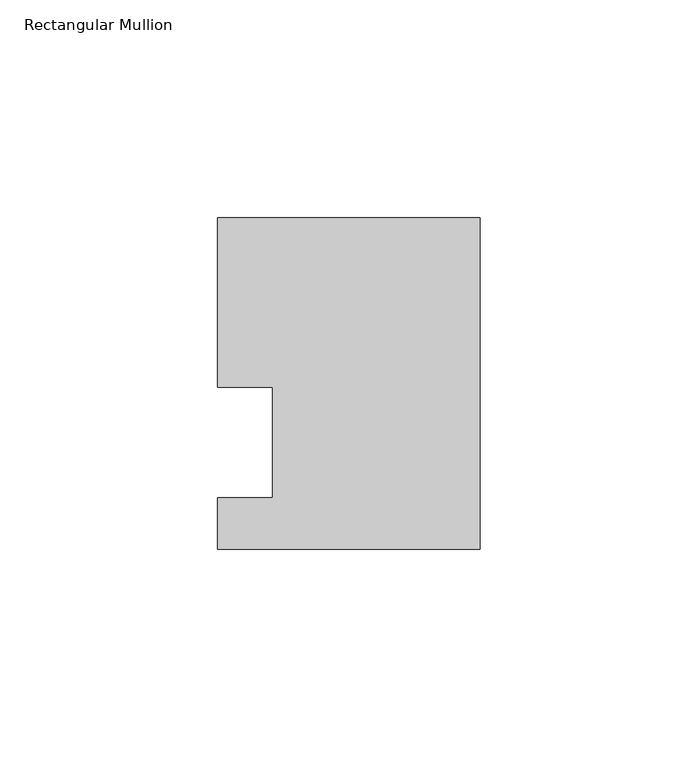
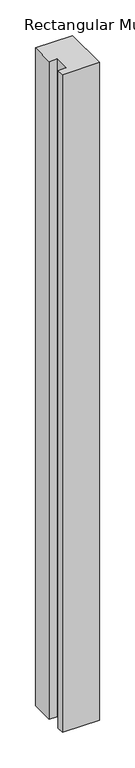
"""IFC4 building model written with IfcOpenShell, lengths in millimetres: member geometry, Rectangular Mullion."""

from ifc_helpers import new_model, si_unit, frame, origin, place, context, project, spatial, polyline, outline, extrude, source, transform, mapped, element, save


def rectangular_mullion_29bb1a48(model_context):
    return source(origin(), model_context, "Body", "SweptSolid", [
        extrude(outline(polyline([(-60.325, 51.59375), (0.0, 51.59375), (0.0, -24.60625), (-60.325, -24.60625), (-60.325, -12.7), (-47.625, -12.7), (-47.625, 12.7), (-60.325, 12.7), (-60.325, 51.59375)])), frame((0.0, 0.0, -1130.3), z_axis=(0.0, 0.0, 1.0), x_axis=(1.0, 0.0, 0.0)), (0.0, 0.0, 1.0), 1130.3),
    ])


if __name__ == "__main__":
    model = new_model("IFC4")
    model_context = context("Model", 3, world=origin())
    ifc_project = project(units=[si_unit("LENGTHUNIT", "METRE", prefix="MILLI")], contexts=[model_context])
    site = spatial("IfcSite", under=ifc_project)
    building = spatial("IfcBuilding", under=site)
    placement = place(None, origin())
    rectangular_mullion_shape = rectangular_mullion_29bb1a48(model_context)
    element("IfcMember", 1, ObjectType="Rectangular Mullion", at=placement, inside=building, context=model_context, shape_type="MappedRepresentation", body=[
        mapped(rectangular_mullion_shape, transform((0.0, 0.0, 0.0), x_axis=(1.0, 0.0, 0.0), y_axis=(0.0, 1.0, 0.0), z_axis=(0.0, 0.0, 1.0))),
    ])
    save(model, "model.ifc")
